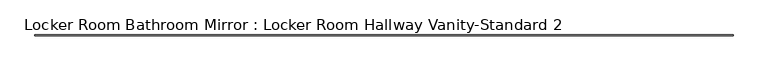
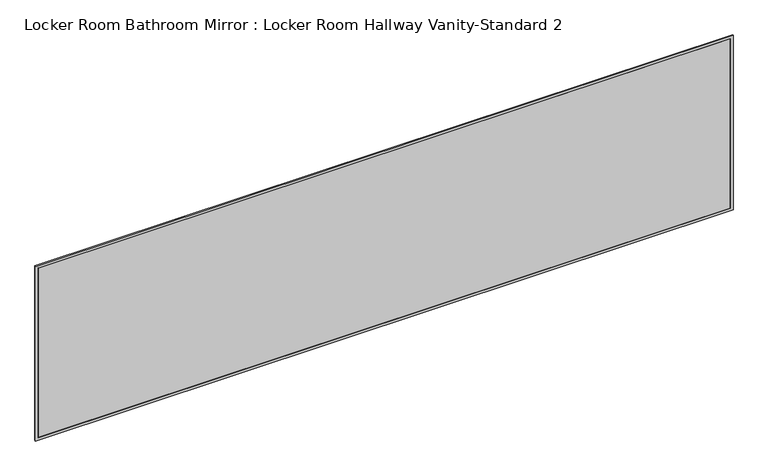
"""IFC4 building model written with IfcOpenShell, lengths in millimetres: proxy geometry, Locker Room Bathroom Mirror : Locker Room Hallway Vanity-Standard 2."""

from ifc_helpers import new_model, si_unit, frame, origin, place, context, project, spatial, polyline, outline, extrude, source, transform, mapped, element, save


def locker_room_bathroom_mirror_locker_room_hallway_vanity_9f408c92(model_context):
    return source(origin(), model_context, "Body", "SweptSolid", [
        extrude(outline(polyline([(3240.0875, -61.9125), (3240.0875, -68.2625), (-3240.0875, -68.2625), (-3240.0875, -61.9125), (3240.0875, -61.9125)])), frame((0.0, 0.0, 1041.4), z_axis=(0.0, 0.0, 1.0), x_axis=(1.0, 0.0, 0.0)), (0.0, 0.0, 1.0), 1676.4),
        extrude(outline(polyline([(2743.2, -3265.4875), (1016.0, -3265.4875), (1016.0, 3265.4875), (2743.2, 3265.4875), (2743.2, -3265.4875)]), holes=[polyline([(2717.8, -3240.0875), (2717.8, 3240.0875), (1041.4, 3240.0875), (1041.4, -3240.0875), (2717.8, -3240.0875)])]), frame((0.0, -71.4375, 0.0), z_axis=(0.0, 1.0, 0.0), x_axis=(0.0, 0.0, 1.0)), (0.0, 0.0, 1.0), 9.525),
    ])


if __name__ == "__main__":
    model = new_model("IFC4")
    model_context = context("Model", 3, world=origin())
    ifc_project = project(units=[si_unit("LENGTHUNIT", "METRE", prefix="MILLI")], contexts=[model_context])
    site = spatial("IfcSite", under=ifc_project)
    building = spatial("IfcBuilding", under=site)
    placement = place(None, origin())
    locker_room_bathroom_mirror_locker_room_hallway_vanity_shape = locker_room_bathroom_mirror_locker_room_hallway_vanity_9f408c92(model_context)
    element("IfcBuildingElementProxy", 1, Name="Locker Room Bathroom Mirror : Locker Room Hallway Vanity-Standard 2", ObjectType="Locker Room Bathroom Mirror : Locker Room Hallway Vanity-Standard 2", at=placement, inside=building, context=model_context, shape_type="MappedRepresentation", body=[
        mapped(locker_room_bathroom_mirror_locker_room_hallway_vanity_shape, transform((0.0, 0.0, 0.0), x_axis=(1.0, 0.0, 0.0), y_axis=(0.0, 1.0, 0.0), z_axis=(0.0, 0.0, 1.0))),
    ])
    save(model, "model.ifc")
